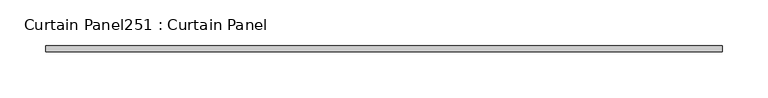
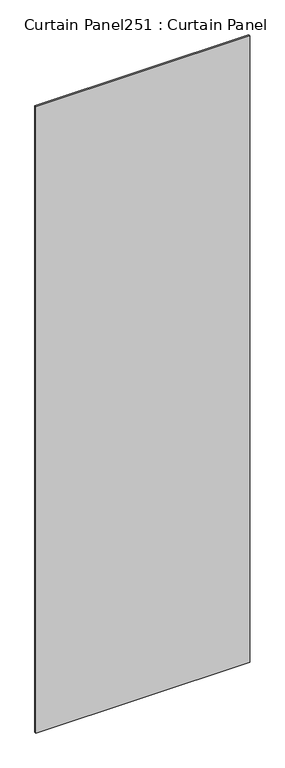
"""IFC4 building model written with IfcOpenShell, lengths in millimetres: plate geometry, Curtain Panel251 : Curtain Panel."""

from ifc_helpers import new_model, si_unit, frame, origin, place, context, project, spatial, polyline, outline, extrude, source, transform, mapped, element, save


def curtain_panel251_curtain_panel_d949d2f5(model_context):
    return source(origin(), model_context, "Body", "SweptSolid", [
        extrude(outline(polyline([(-55489.8622201, 4532.5885949), (-56228.8342513, 4532.5885949), (-56228.8342513, 4538.9385949), (-55489.8622201, 4538.9385949), (-55489.8622201, 4532.5885949)])), frame((0.0, 0.0, 127.0), z_axis=(0.0, 0.0, 1.0), x_axis=(1.0, 0.0, 0.0)), (0.0, 0.0, 1.0), 2286.0),
    ])


if __name__ == "__main__":
    model = new_model("IFC4")
    model_context = context("Model", 3, world=origin())
    ifc_project = project(units=[si_unit("LENGTHUNIT", "METRE", prefix="MILLI")], contexts=[model_context])
    site = spatial("IfcSite", under=ifc_project)
    building = spatial("IfcBuilding", under=site)
    placement = place(None, origin())
    curtain_panel251_curtain_panel_shape = curtain_panel251_curtain_panel_d949d2f5(model_context)
    element("IfcPlate", 1, ObjectType="Curtain Panel251 : Curtain Panel", at=placement, inside=building, context=model_context, shape_type="MappedRepresentation", body=[
        mapped(curtain_panel251_curtain_panel_shape, transform((0.0, 0.0, 0.0), x_axis=(1.0, 0.0, 0.0), y_axis=(0.0, 1.0, 0.0), z_axis=(0.0, 0.0, 1.0))),
    ])
    save(model, "model.ifc")
